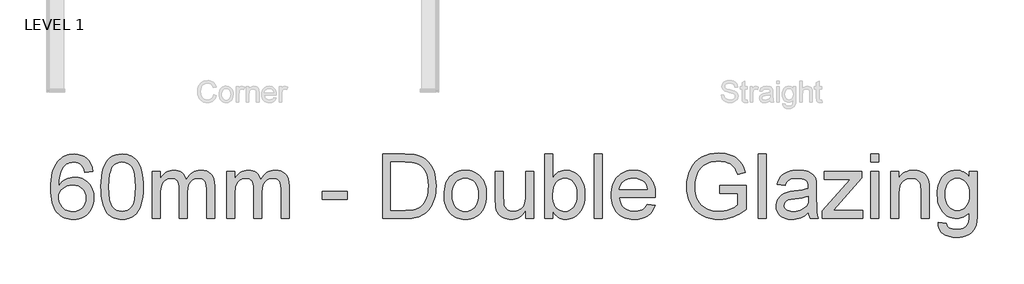
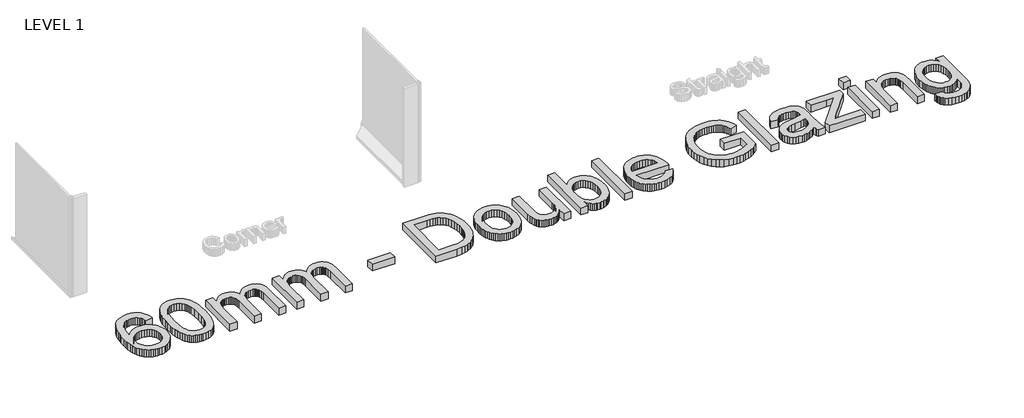
# One storey, part 10 of 11: 1 proxy.
"""IFC4 building model written with IfcOpenShell, lengths in millimetres."""

from ifc_helpers import new_model, si_unit, origin, origin_with_axes, place, context, project, spatial, polyline, outline, extrude, element, save

model = new_model("IFC4")

# Units and contexts
model_context = context("Model", 3, world=origin())
ifc_project = project(units=[si_unit("LENGTHUNIT", "METRE", prefix="MILLI")], contexts=[model_context])

# Site, building, storey
site = spatial("IfcSite", under=ifc_project)
building = spatial("IfcBuilding", under=site)
storey = spatial("IfcBuildingStorey", under=building, Name="LEVEL 1", Elevation=0.0)

# Proxy
placement = place(None, origin())
element("IfcBuildingElementProxy", 1, Name="1200mm", ObjectType="1200mm", at=placement, inside=storey, context=model_context, shape_type="SweptSolid", body=[
    extrude(outline(polyline([(8427.0063966, 18523.4260952), (8276.3219314, 18504.5905371), (8265.2486833, 18544.8920097), (8252.0417197, 18579.2705821), (8236.7010405, 18607.7262544), (8219.2266457, 18630.2590266), (8186.8346361, 18657.6846294), (8150.874171, 18677.2743456), (8111.3452507, 18689.0281754), (8068.2478749, 18692.9461186), (8032.7104742, 18690.6652502), (7998.203143, 18683.8226451), (7964.7258815, 18672.4183033), (7932.2786895, 18656.4522247), (7902.6733859, 18630.3418001), (7875.6616505, 18598.805116), (7851.243483, 18561.8421726), (7829.4188837, 18519.4529697), (7811.3466806, 18468.8416042), (7798.1857023, 18407.212173), (7789.9359485, 18334.564676), (7786.5974194, 18250.8991132), (7815.3198062, 18288.7633676), (7847.0404312, 18321.4220917), (7881.7592945, 18348.8752856), (7919.4763961, 18371.1229492), (7959.1800604, 18388.3122355), (7999.858612, 18400.590297), (8041.5120509, 18407.957134), (8084.1403771, 18410.4127463), (8121.0389412, 18408.7342847), (8156.5395538, 18403.6988999), (8190.6422147, 18395.3065919), (8223.3469241, 18383.5573607), (8254.6536819, 18368.4512062), (8284.5624881, 18349.9881286), (8313.0733427, 18328.1681278), (8340.1862458, 18302.9912037), (8364.9493026, 18275.1563323), (8386.4106185, 18245.3624892), (8404.5701934, 18213.6096745), (8419.4280275, 18179.8978881), (8430.9841207, 18144.2271302), (8439.238473, 18106.5974006), (8444.1910843, 18067.0086994), (8445.8419548, 18025.4610266), (8442.7333519, 17970.5270476), (8433.4075433, 17917.5612374), (8417.864529, 17866.5635958), (8396.104309, 17817.5341229), (8368.8994355, 17772.3030316), (8337.0224606, 17732.7005348), (8300.4733844, 17698.7266325), (8259.2522068, 17670.3813248), (8214.2418447, 17648.0416907), (8166.3252148, 17632.0848091), (8115.5023172, 17622.5106802), (8061.7731518, 17619.3193039), (8015.7718076, 17621.4346254), (7971.9455656, 17627.7805898), (7930.294426, 17638.3571971), (7890.8183887, 17653.1644474), (7853.5174536, 17672.2023407), (7818.3916209, 17695.4708769), (7785.4408904, 17722.970056), (7754.6652622, 17754.6998781), (7726.83269, 17791.2857425), (7702.7111275, 17833.3530487), (7682.3005745, 17880.9017966), (7665.6010312, 17933.9319862), (7652.6124975, 17992.4436175), (7643.3349734, 18056.4366906), (7637.768459, 18125.9112053), (7635.9129542, 18200.8671619), (7637.9730934, 18284.7948405), (7644.1535109, 18362.790422), (7654.4542068, 18434.8539064), (7668.875181, 18500.9852935), (7687.4164335, 18561.1845835), (7710.0779644, 18615.4517763), (7736.8597737, 18663.786872), (7767.7618613, 18706.1898704), (7797.7764335, 18738.4025376), (7830.2834063, 18766.3201826), (7865.2827797, 18789.9428052), (7902.7745535, 18809.2704055), (7942.7587278, 18824.3029835), (7985.2353027, 18835.0405393), (8030.2042781, 18841.4830727), (8077.665654, 18843.6305838), (8147.0665924, 18838.314689), (8209.8824431, 18822.3670045), (8266.113206, 18795.7875304), (8315.7588813, 18758.5762666), (8357.4766995, 18711.9840119), (8389.9238915, 18657.2615651), (8413.1004572, 18594.4089262), (8427.0063966, 18523.4260952)]), holes=[polyline([(7786.5974194, 18027.8154713), (7788.7771202, 17994.0531012), (7795.3162227, 17961.0448892), (7806.2147268, 17928.7908353), (7821.4726326, 17897.2909394), (7840.3449789, 17868.0259267), (7862.0868048, 17842.4765222), (7886.6981103, 17820.6427257), (7914.1788953, 17802.5245375), (7944.354416, 17788.2967013), (7977.0499283, 17778.1339612), (8012.2654323, 17772.0363171), (8050.000928, 17770.0037691), (8102.378127, 17774.216018), (8149.4394313, 17786.8527645), (8191.1848407, 17807.9140087), (8227.6143552, 17837.3997506), (8257.1644765, 17874.1143737), (8278.271706, 17916.8622616), (8290.9360437, 17965.6434141), (8295.1574896, 18020.4578314), (8290.991226, 18073.1293361), (8278.4924352, 18119.8963347), (8257.6611172, 18160.7588273), (8228.497272, 18195.7168139), (8191.9573929, 18223.7218308), (8148.9979729, 18243.7254143), (8099.6190121, 18255.7275644), (8043.8205104, 18259.7282811), (7992.1422872, 18255.7275644), (7944.52916, 18243.7254143), (7900.9811288, 18223.7218308), (7861.4981936, 18195.7168139), (7828.7291049, 18161.2186798), (7805.322613, 18121.7357447), (7791.2787178, 18077.2680085), (7786.5974194, 18027.8154713)])]), origin_with_axes(), (0.0, 0.0, 1.0), 150.0),
    extrude(outline(polyline([(8577.6908618, 18231.1806383), (8580.4591739, 18332.541325), (8588.7641099, 18424.1347447), (8602.60567, 18505.9608975), (8621.9838541, 18578.0197833), (8646.8158887, 18640.9000133), (8677.0190005, 18695.1901988), (8712.5931895, 18740.8903396), (8753.5384555, 18778.0004359), (8799.9927545, 18806.7136256), (8852.0940421, 18827.2230469), (8909.8423182, 18839.5286996), (8973.2375831, 18843.6305838), (9020.8783014, 18841.2025627), (9066.0909986, 18833.9184992), (9108.8756747, 18821.7783933), (9149.2323296, 18804.7822451), (9186.186076, 18783.2151632), (9218.7620266, 18757.362256), (9246.9601816, 18727.2235235), (9270.7805408, 18692.7989658), (9291.4187207, 18654.2265386), (9310.0703378, 18611.6441977), (9341.4138838, 18514.4497746), (9353.3884428, 18457.2901096), (9361.9416992, 18391.0253652), (9367.073653, 18315.6555414), (9368.7843043, 18231.1806383), (9366.0435834, 18130.463745), (9357.8214208, 18039.3301778), (9344.1178165, 17957.7799365), (9324.9327705, 17885.8130212), (9300.2938738, 17822.9052), (9270.2287178, 17768.5322411), (9234.7373023, 17722.6941445), (9193.8196274, 17685.3909102), (9147.3101461, 17656.4845825), (9095.0433117, 17635.8372055), (9037.019124, 17623.4487793), (8973.2375831, 17619.3193039), (8930.5632716, 17621.1127286), (8890.243405, 17626.4930028), (8852.277983, 17635.4601264), (8816.6670059, 17648.0140995), (8783.4104736, 17664.1549221), (8752.508386, 17683.882594), (8723.9607431, 17707.1971155), (8697.7675451, 17734.0984864), (8669.6245724, 17776.6946229), (8645.2339962, 17824.8733687), (8624.5958162, 17878.6347238), (8607.7100327, 17937.9786881), (8594.5766454, 18002.9052617), (8585.1956546, 18073.4144446), (8579.56706, 18149.5062368), (8577.6908618, 18231.1806383)]), holes=[polyline([(8728.3753271, 18231.4749439), (8732.789911, 18100.4813624), (8746.0336628, 17994.4485744), (8755.9664767, 17950.7924779), (8768.1065826, 17913.3765797), (8782.4539804, 17882.2008799), (8799.0086701, 17857.2653784), (8836.3854809, 17819.0884243), (8877.8825699, 17791.8191714), (8923.4999373, 17775.4576197), (8973.2375831, 17770.0037691), (9022.9752288, 17775.4760138), (9068.5925962, 17791.8927478), (9110.0896853, 17819.2539712), (9147.466496, 17857.559684), (9164.0211858, 17882.5549663), (9178.3685836, 17913.7628558), (9190.5086894, 17951.1833525), (9200.4415033, 17994.8164564), (9213.6852551, 18100.7204857), (9218.0998391, 18231.4749439), (9213.8324079, 18359.0012375), (9201.0301145, 18463.1670244), (9191.4283944, 18506.4897279), (9179.6929588, 18543.9723047), (9165.8238075, 18575.6147548), (9149.8209407, 18601.4170782), (9113.0695294, 18641.4610334), (9071.0941938, 18670.0638585), (9023.8949338, 18687.2255536), (8971.4717495, 18692.9461186), (8921.9916211, 18687.9061353), (8877.1468059, 18672.7861853), (8836.9373039, 18647.5862686), (8801.3631149, 18612.3063853), (8784.2566021, 18583.7587424), (8769.4309577, 18549.7664461), (8756.8861817, 18510.3294962), (8746.622274, 18465.4478928), (8732.9370638, 18359.3507254), (8728.3753271, 18231.4749439)])]), origin_with_axes(), (0.0, 0.0, 1.0), 150.0),
    extrude(outline(polyline([(9538.3043277, 17638.154862), (9538.3043277, 18523.4260952), (9688.9887929, 18523.4260952), (9688.9887929, 18377.7448251), (9710.031643, 18413.0155114), (9734.3118547, 18444.6625601), (9761.8294279, 18472.6859711), (9792.5843627, 18497.0857444), (9826.0800184, 18516.8502046), (9861.8197542, 18530.9676761), (9899.8035702, 18539.4381591), (9940.0314664, 18542.2616534), (9984.0117589, 18539.3829768), (10023.8349849, 18530.7469469), (10059.5011443, 18516.3535639), (10091.0102372, 18496.2028276), (10118.2702931, 18470.8649552), (10141.1893414, 18440.9101637), (10159.7673821, 18406.3384532), (10174.0044153, 18367.1498237), (10200.501116, 18408.1916588), (10228.9291972, 18443.7612492), (10259.2886589, 18473.8585949), (10291.579501, 18498.483696), (10325.8017236, 18517.6365523), (10361.9553267, 18531.317164), (10400.0403102, 18539.525531), (10440.0566742, 18542.2616534), (10500.3801244, 18537.7091137), (10553.3275405, 18524.0514946), (10598.8989227, 18501.2887962), (10637.0942708, 18469.4210183), (10653.2695823, 18449.9807542), (10667.2881856, 18428.0802791), (10688.8552676, 18376.8986966), (10701.7955168, 18315.8762706), (10706.1089331, 18245.0130013), (10706.1089331, 17638.154862), (10555.4244679, 17638.154862), (10555.4244679, 18180.2657701), (10551.929589, 18255.4240617), (10541.4449521, 18306.0814125), (10533.0388485, 18324.3559506), (10521.8000536, 18340.7726846), (10507.7285672, 18355.3316146), (10490.8243896, 18368.0327405), (10471.7037229, 18378.3334363), (10450.9827695, 18385.6910762), (10404.7400027, 18391.5771882), (10362.0381001, 18387.8063977), (10323.106988, 18376.4940264), (10287.9466663, 18357.6400741), (10256.557135, 18331.244541), (10230.741016, 18296.5348747), (10212.300931, 18252.7385232), (10201.23688, 18199.8554864), (10197.548863, 18137.8857643), (10197.548863, 17638.154862), (10046.8643978, 17638.154862), (10046.8643978, 18197.0411891), (10044.684697, 18242.6953447), (10038.1455945, 18282.2426592), (10027.2470904, 18315.6831326), (10011.9891846, 18343.0167648), (9991.764872, 18364.26195), (9965.967147, 18379.4370823), (9934.5960099, 18388.5421617), (9897.6514605, 18391.5771882), (9868.055354, 18389.5538372), (9839.5996817, 18383.4837843), (9812.2844436, 18373.3670294), (9786.1096396, 18359.2035726), (9762.2708863, 18341.1405666), (9741.9638002, 18319.3251643), (9725.1883812, 18293.7573656), (9711.9446294, 18264.4371706), (9701.9014509, 18229.8010808), (9694.727752, 18188.2855976), (9690.4235327, 18139.8907212), (9688.9887929, 18084.6164514), (9688.9887929, 17638.154862), (9538.3043277, 17638.154862)])), origin_with_axes(), (0.0, 0.0, 1.0), 150.0),
    extrude(outline(polyline([(10932.135631, 17638.154862), (10932.135631, 18523.4260952), (11082.8200962, 18523.4260952), (11082.8200962, 18377.7448251), (11103.8629463, 18413.0155114), (11128.143158, 18444.6625601), (11155.6607313, 18472.6859711), (11186.415666, 18497.0857444), (11219.9113217, 18516.8502046), (11255.6510575, 18530.9676761), (11293.6348735, 18539.4381591), (11333.8627697, 18542.2616534), (11377.8430622, 18539.3829768), (11417.6662882, 18530.7469469), (11453.3324476, 18516.3535639), (11484.8415405, 18496.2028276), (11512.1015964, 18470.8649552), (11535.0206447, 18440.9101637), (11553.5986854, 18406.3384532), (11567.8357186, 18367.1498237), (11594.3324193, 18408.1916588), (11622.7605005, 18443.7612492), (11653.1199622, 18473.8585949), (11685.4108043, 18498.483696), (11719.6330269, 18517.6365523), (11755.78663, 18531.317164), (11793.8716135, 18539.525531), (11833.8879776, 18542.2616534), (11894.2114277, 18537.7091137), (11947.1588439, 18524.0514946), (11992.730226, 18501.2887962), (12030.9255742, 18469.4210183), (12047.1008857, 18449.9807542), (12061.1194889, 18428.0802791), (12082.6865709, 18376.8986966), (12095.6268201, 18315.8762706), (12099.9402365, 18245.0130013), (12099.9402365, 17638.154862), (11949.2557712, 17638.154862), (11949.2557712, 18180.2657701), (11945.7608923, 18255.4240617), (11935.2762554, 18306.0814125), (11926.8701518, 18324.3559506), (11915.6313569, 18340.7726846), (11901.5598706, 18355.3316146), (11884.6556929, 18368.0327405), (11865.5350262, 18378.3334363), (11844.8140728, 18385.6910762), (11798.571306, 18391.5771882), (11755.8694034, 18387.8063977), (11716.9382913, 18376.4940264), (11681.7779696, 18357.6400741), (11650.3884384, 18331.244541), (11624.5723194, 18296.5348747), (11606.1322343, 18252.7385232), (11595.0681833, 18199.8554864), (11591.3801663, 18137.8857643), (11591.3801663, 17638.154862), (11440.6957011, 17638.154862), (11440.6957011, 18197.0411891), (11438.5160003, 18242.6953447), (11431.9768978, 18282.2426592), (11421.0783937, 18315.6831326), (11405.820488, 18343.0167648), (11385.5961753, 18364.26195), (11359.7984504, 18379.4370823), (11328.4273132, 18388.5421617), (11291.4827639, 18391.5771882), (11261.8866574, 18389.5538372), (11233.430985, 18383.4837843), (11206.1157469, 18373.3670294), (11179.9409429, 18359.2035726), (11156.1021896, 18341.1405666), (11135.7951035, 18319.3251643), (11119.0196845, 18293.7573656), (11105.7759327, 18264.4371706), (11095.7327542, 18229.8010808), (11088.5590553, 18188.2855976), (11084.254836, 18139.8907212), (11082.8200962, 18084.6164514), (11082.8200962, 17638.154862), (10932.135631, 17638.154862)])), origin_with_axes(), (0.0, 0.0, 1.0), 150.0),
    extrude(outline(polyline([(12721.5136555, 17996.030467), (12721.5136555, 18146.7149322), (13192.4026093, 18146.7149322), (13192.4026093, 17996.030467), (12721.5136555, 17996.030467)])), origin_with_axes(), (0.0, 0.0, 1.0), 150.0),
    extrude(outline(polyline([(13851.6471447, 17638.154862), (13851.6471447, 18843.6305838), (14267.5009521, 18843.6305838), (14391.77149, 18839.2895763), (14441.3803771, 18833.8633169), (14482.6383428, 18826.2665537), (14532.5599296, 18811.93755), (14578.72912, 18792.7892921), (14621.145914, 18768.8217801), (14659.8103117, 18740.035014), (14704.48958, 18696.9192442), (14743.1723718, 18648.211668), (14775.8586871, 18593.9122855), (14802.5485258, 18534.0210967), (14823.2786763, 18469.0899245), (14838.0859266, 18399.6705921), (14846.9702768, 18325.7630992), (14849.9317268, 18247.3674461), (14847.9267699, 18180.7348197), (14841.9118993, 18117.9833484), (14831.887115, 18059.1130321), (14817.8524168, 18004.1238708), (14800.6723277, 17953.3653526), (14781.2113701, 17907.1869651), (14759.4695442, 17865.5887085), (14735.4468499, 17828.5705827), (14709.6951103, 17795.6911294), (14682.7661482, 17766.5088902), (14654.6599638, 17741.0238649), (14625.376557, 17719.2360538), (14593.9686316, 17700.5016632), (14559.4888916, 17684.1768996), (14521.937337, 17670.2617632), (14481.3139676, 17658.7562538), (14390.7046322, 17643.30521), (14287.5137326, 17638.154862), (13851.6471447, 17638.154862)]), holes=[polyline([(14002.3316099, 17788.8393273), (14268.97248, 17788.8393273), (14379.2635022, 17794.2839808), (14424.4210171, 17801.0897977), (14462.9198679, 17810.6179414), (14496.2867649, 17822.6292885), (14526.0484183, 17836.8847158), (14552.2048281, 17853.3842233), (14574.7559944, 17872.127811), (14602.5586762, 17902.3401198), (14627.1056023, 17937.3532887), (14648.3967728, 17977.1673176), (14666.4321876, 18021.7822066), (14680.7887825, 18071.2899261), (14691.0434931, 18125.7824466), (14697.1963195, 18185.2597682), (14699.2472616, 18249.7218908), (14695.2281508, 18337.2042293), (14683.1708184, 18413.9444135), (14663.0752644, 18479.9424434), (14634.9414888, 18535.1983191), (14601.05036, 18580.9628393), (14563.6827464, 18618.4868028), (14522.8386479, 18647.7702096), (14478.5180645, 18668.8130597), (14440.2215488, 18679.371273), (14391.8450664, 18686.9128539), (14333.3886174, 18691.4378024), (14264.8522017, 18692.9461186), (14002.3316099, 18692.9461186), (14002.3316099, 17788.8393273)])]), origin_with_axes(), (0.0, 0.0, 1.0), 150.0),
    extrude(outline(polyline([(15000.616192, 18080.7904786), (15002.6533386, 18140.0976548), (15008.7647782, 18195.4409024), (15018.950511, 18246.8202216), (15033.2105368, 18294.2356122), (15051.5448557, 18337.6870744), (15073.9534678, 18377.1746081), (15100.4363729, 18412.6982132), (15130.9935711, 18444.2578899), (15158.9617998, 18467.2275219), (15188.4199506, 18487.1345364), (15219.3680234, 18503.9789333), (15251.8060183, 18517.7607125), (15285.7339354, 18528.4798741), (15321.1517744, 18536.1364182), (15396.4572189, 18542.2616534), (15439.0188664, 18540.3969515), (15479.5893527, 18534.8028459), (15518.1686777, 18525.4793366), (15554.7568414, 18512.4264236), (15589.3538438, 18495.6441068), (15621.9596848, 18475.1323863), (15652.5743646, 18450.8912621), (15681.1978831, 18422.9207342), (15707.0990748, 18391.6622609), (15729.5467743, 18357.5573007), (15748.5409816, 18320.6058535), (15764.0816966, 18280.8079194), (15776.1689194, 18238.1634984), (15784.80265, 18192.6725904), (15789.9828884, 18144.3351955), (15791.7096345, 18093.1513137), (15788.6562139, 18012.4931862), (15779.4959522, 17940.9217441), (15764.2288494, 17878.4369872), (15742.8549055, 17825.0389156), (15715.6408349, 17778.9157104), (15682.8533521, 17738.2555529), (15644.492457, 17703.058443), (15600.5581498, 17673.3243808), (15552.7610816, 17649.6971596), (15502.8119037, 17632.8205731), (15450.7106161, 17622.6946212), (15396.4572189, 17619.3193039), (15353.2241866, 17621.177108), (15312.1110744, 17626.7505202), (15273.1178822, 17636.0395406), (15236.24461, 17649.0441691), (15201.4912577, 17665.7644058), (15168.8578255, 17686.2002506), (15138.3443132, 17710.3517036), (15109.950721, 17738.2187647), (15084.3254408, 17769.5807048), (15062.1168646, 17804.2167947), (15043.3249924, 17842.1270343), (15027.9498243, 17883.3114236), (15015.9913602, 17927.7699627), (15007.4496001, 17975.5026516), (15002.3245441, 18026.5094903), (15000.616192, 18080.7904786)]), holes=[polyline([(15151.3006573, 18081.0847842), (15155.6600589, 18007.9958288), (15168.7382638, 17944.7109286), (15190.5352721, 17891.2300836), (15204.7033274, 17868.1661817), (15221.0510836, 17847.5532937), (15258.1703769, 17813.6253767), (15299.7778305, 17789.3911503), (15345.8734445, 17774.8506144), (15396.4572189, 17770.0037691), (15446.7834758, 17774.8782055), (15492.6951488, 17789.5015149), (15534.1922378, 17813.873697), (15571.274743, 17847.9947521), (15587.6224991, 17868.7708878), (15601.7905545, 17892.1038033), (15623.5875627, 17946.439974), (15636.6657676, 18011.0032642), (15641.0251692, 18085.7936738), (15636.6381765, 18156.5649726), (15623.4771981, 18218.1944038), (15601.5422341, 18270.6819675), (15570.8332846, 18314.0276636), (15533.6128237, 18347.9555806), (15492.1433258, 18372.189807), (15446.4247908, 18386.7303429), (15396.4572189, 18391.5771882), (15345.8734445, 18386.748737), (15299.7778305, 18372.2633834), (15258.1703769, 18348.1211275), (15221.0510836, 18314.3219692), (15204.7033274, 18293.778059), (15190.5352721, 18270.773938), (15168.7382638, 18217.3850634), (15155.6600589, 18154.1553455), (15151.3006573, 18081.0847842)])]), origin_with_axes(), (0.0, 0.0, 1.0), 150.0),
    extrude(outline(polyline([(16526.2964024, 17638.154862), (16526.2964024, 17790.3108552), (16500.1583867, 17750.2347104), (16471.7762908, 17715.5020515), (16441.1501147, 17686.1128786), (16408.2798584, 17662.0671917), (16373.1655219, 17643.3649908), (16335.8071053, 17630.0062758), (16296.2046086, 17621.9910469), (16254.3580316, 17619.3193039), (16217.0272061, 17621.1955021), (16180.9655736, 17626.8240966), (16146.1731339, 17636.2050875), (16112.6498871, 17649.3384747), (16081.8765582, 17665.3045533), (16055.3338722, 17683.1836183), (16033.0218292, 17702.9756696), (16014.9404291, 17724.6807073), (16000.16077, 17748.6114311), (15987.7539497, 17775.0805406), (15970.0588257, 17835.6339171), (15963.4369498, 17892.7292027), (15961.2296578, 17975.7233808), (15961.2296578, 18523.4260952), (16111.9141231, 18523.4260952), (16111.9141231, 18046.6510295), (16114.1949914, 17951.2960163), (16121.0375966, 17893.0235083), (16130.0599025, 17865.86462), (16143.0001517, 17841.7775464), (16159.8583441, 17820.7622874), (16180.6344798, 17802.8188431), (16204.7031593, 17788.4622482), (16231.4389833, 17778.2075376), (16260.8419518, 17772.0547112), (16292.9120647, 17770.0037691), (16325.9386708, 17772.1006965), (16357.9168132, 17778.3914786), (16388.846492, 17788.8761155), (16418.727707, 17803.5546071), (16445.9417776, 17821.8475393), (16468.870023, 17843.175498), (16487.5124431, 17867.5384831), (16501.869038, 17894.9364947), (16512.5560099, 17927.1169722), (16520.1895613, 17965.8273551), (16524.7696922, 18011.0676435), (16526.2964024, 18062.8378373), (16526.2964024, 18523.4260952), (16676.9808677, 18523.4260952), (16676.9808677, 17638.154862), (16526.2964024, 17638.154862)])), origin_with_axes(), (0.0, 0.0, 1.0), 150.0),
    extrude(outline(polyline([(17034.8564726, 17638.154862), (16884.1720073, 17638.154862), (16884.1720073, 18843.6305838), (17034.8564726, 18843.6305838), (17034.8564726, 18396.5803833), (17058.8331816, 18430.724431), (17084.4101773, 18460.315939), (17111.5874597, 18485.3549073), (17140.3650288, 18505.8413359), (17170.7428845, 18521.7752248), (17202.721027, 18533.156574), (17236.2994561, 18539.9853835), (17271.4781719, 18542.2616534), (17310.8231513, 18540.2107113), (17349.1012728, 18534.0578849), (17386.3125367, 18523.8031743), (17422.4569427, 18509.4465794), (17456.4860272, 18491.3743764), (17487.3513266, 18469.9728413), (17515.0528409, 18445.2419742), (17539.59057, 18417.181775), (17561.3048047, 18385.9210025), (17580.535836, 18351.5884153), (17597.2836638, 18314.1840134), (17611.5482882, 18273.7077969), (17622.943433, 18230.9691061), (17631.0828222, 18186.7772814), (17635.9664556, 18141.1323229), (17637.5943335, 18094.0342305), (17635.9089741, 18038.9163105), (17630.8528959, 17987.0173581), (17622.426099, 17938.3373731), (17610.6285832, 17892.8763555), (17595.4603487, 17850.6343054), (17576.9213954, 17811.6112228), (17555.0117233, 17775.8071076), (17529.7313325, 17743.2219599), (17502.0872998, 17714.1822749), (17473.0867023, 17689.0145479), (17442.7295399, 17667.7187789), (17411.0158126, 17650.2949679), (17377.9455205, 17636.7431149), (17343.5186636, 17627.0632199), (17307.7352418, 17621.2552829), (17270.5952551, 17619.3193039), (17234.0783685, 17621.8163029), (17199.5756359, 17629.3073001), (17167.0870572, 17641.7922953), (17136.6126324, 17659.2712886), (17108.1523616, 17681.7442799), (17081.7062447, 17709.2112694), (17057.2742817, 17741.672257), (17034.8564726, 17779.1272426), (17034.8564726, 17638.154862)]), holes=[polyline([(17034.8564726, 18086.9708962), (17037.4316465, 18019.0598798), (17045.1571684, 17961.3024066), (17058.0330383, 17913.6984764), (17076.059256, 17876.2480893), (17093.5750375, 17851.3470768), (17112.5715441, 17829.7661992), (17133.0487756, 17811.5054567), (17155.0067322, 17796.5648492), (17178.4454138, 17784.9443766), (17203.3648205, 17776.6440391), (17229.7649521, 17771.6638366), (17257.6458088, 17770.0037691), (17302.7113533, 17774.8965996), (17344.6131125, 17789.5750913), (17383.3510866, 17814.0392439), (17418.9252755, 17848.2890577), (17448.6685348, 17892.232562), (17469.9137201, 17945.7777864), (17482.6608312, 18008.9247309), (17486.9098682, 18081.6733954), (17482.8355751, 18155.8016175), (17470.6126959, 18219.5555672), (17450.2412304, 18272.9352447), (17421.7211787, 18315.94065), (17387.4253797, 18349.0316354), (17349.7266722, 18372.6680536), (17308.6250563, 18386.8499045), (17264.120532, 18391.5771882), (17219.0549876, 18386.6843576), (17177.1532283, 18372.005866), (17138.4152542, 18347.5417133), (17102.8410653, 18313.2918996), (17073.097806, 18269.7898537), (17051.8526207, 18217.5690044), (17039.1055096, 18156.6293519), (17034.8564726, 18086.9708962)])]), origin_with_axes(), (0.0, 0.0, 1.0), 150.0),
    extrude(outline(polyline([(17807.1143568, 17638.154862), (17807.1143568, 18843.6305838), (17957.7988221, 18843.6305838), (17957.7988221, 17638.154862), (17807.1143568, 17638.154862)])), origin_with_axes(), (0.0, 0.0, 1.0), 150.0),
    extrude(outline(polyline([(18803.6331054, 17901.8526762), (18951.3745146, 17883.017118), (18928.7221808, 17823.8432991), (18898.1419899, 17771.6960263), (18859.6339421, 17726.5752996), (18813.1980373, 17688.481119), (18759.312522, 17658.2228249), (18698.455643, 17636.6097577), (18630.6274001, 17623.6419173), (18555.8277934, 17619.3193039), (18507.8053975, 17621.1840058), (18462.3305844, 17626.7781113), (18419.403354, 17636.1016207), (18379.0237065, 17649.1545337), (18341.1916419, 17665.9368505), (18305.90716, 17686.448571), (18273.170261, 17710.6896952), (18242.9809447, 17738.6602231), (18215.8726402, 17769.9968713), (18192.3787763, 17804.3363563), (18172.499353, 17841.6786781), (18156.2343703, 17882.0238366), (18143.5838282, 17925.371832), (18134.5477267, 17971.7226641), (18129.1260657, 18021.076333), (18127.3188454, 18073.4328387), (18129.1444598, 18127.5712729), (18134.6213031, 18178.5919071), (18143.7493751, 18226.4947414), (18156.5286759, 18271.2797757), (18172.9592055, 18312.9470102), (18193.0409639, 18351.4964448), (18216.7739511, 18386.9280795), (18244.1581671, 18419.2419142), (18274.4532494, 18448.0746656), (18306.9188355, 18473.0630501), (18341.5549253, 18494.2070678), (18378.361519, 18511.5067186), (18417.3386163, 18524.9620026), (18458.4862175, 18534.5729197), (18501.8043224, 18540.33947), (18547.2929311, 18542.2616534), (18591.293917, 18540.3440685), (18633.2393623, 18534.5913138), (18673.1292669, 18525.0033893), (18710.9636308, 18511.580295), (18746.7424541, 18494.3220309), (18780.4657367, 18473.228597), (18812.1334787, 18448.2999933), (18841.7456801, 18419.5362198), (18868.5435842, 18387.2959614), (18891.7684344, 18351.9379032), (18911.4202307, 18313.462045), (18927.4989732, 18271.8683869), (18940.0046617, 18227.1569289), (18948.9372964, 18179.327671), (18954.2968772, 18128.3806132), (18956.0834042, 18074.3157555), (18955.2004874, 18033.7015833), (18278.0033107, 18033.7015833), (18286.731311, 17973.5712711), (18304.0861441, 17920.9089635), (18330.06781, 17875.7146604), (18364.6763087, 17837.9883618), (18405.9986538, 17808.2451025), (18452.121859, 17786.9999173), (18503.0459242, 17774.2528062), (18558.7708494, 17770.0037691), (18600.4518794, 17771.9719378), (18638.9691243, 17777.8764438), (18674.3225841, 17787.7172872), (18706.5122587, 17801.4944679), (18735.5381481, 17819.575868), (18761.4002523, 17842.3293694), (18784.0985714, 17869.7549721), (18803.6331054, 17901.8526762)]), holes=[polyline([(18278.0033107, 18184.3860485), (18805.398939, 18184.3860485), (18797.655023, 18227.0235717), (18785.0182764, 18263.9957122), (18767.4886994, 18295.30247), (18745.0662917, 18320.9438451), (18703.9738729, 18351.8459327), (18657.2160713, 18373.9188524), (18604.792887, 18387.1626042), (18546.7043199, 18391.5771882), (18493.7201156, 18388.0547181), (18445.1321011, 18377.4873077), (18400.9402764, 18359.8749572), (18361.1446416, 18335.2176665), (18327.7501535, 18304.6558698), (18302.7617689, 18269.3300012), (18286.179488, 18229.2400607), (18278.0033107, 18184.3860485)])]), origin_with_axes(), (0.0, 0.0, 1.0), 150.0),
    extrude(outline(polyline([(20161.559126, 18109.0438159), (20161.559126, 18259.7282811), (20651.283638, 18259.7282811), (20651.283638, 17809.1464134), (20592.2477748, 17764.8350271), (20532.2738125, 17726.3729645), (20471.3617512, 17693.7602256), (20409.5115907, 17666.9968105), (20346.7969076, 17646.1379013), (20283.2912782, 17631.2386805), (20218.9947025, 17622.299148), (20153.9071805, 17619.3193039), (20067.3537441, 17624.0557846), (19984.8654037, 17638.2652266), (19906.4421594, 17661.9476301), (19832.0840111, 17695.1029949), (19764.1913889, 17737.2346804), (19705.1647228, 17787.8460459), (19655.0040127, 17846.9370914), (19613.7092588, 17914.5078168), (19581.4552048, 17988.3969156), (19558.4165949, 18066.4430808), (19544.5934289, 18148.6463126), (19539.9857069, 18235.006611), (19544.5750348, 18321.3761064), (19558.3430185, 18404.7841518), (19581.2896579, 18485.2307471), (19613.4149532, 18562.7158923), (19654.1486871, 18633.836679), (19702.9206426, 18695.1901988), (19759.7308197, 18746.7764516), (19824.5792184, 18788.5954374), (19896.0586901, 18820.9138706), (19972.7620861, 18843.9984658), (20054.6894064, 18857.849223), (20141.840651, 18862.466142), (20205.4658421, 18859.7898005), (20265.9640362, 18851.7607759), (20323.3352334, 18838.3790684), (20377.5794335, 18819.6446778), (20427.4182468, 18796.1370183), (20471.5732833, 18768.435504), (20510.044543, 18736.540135), (20542.8320258, 18700.4509113), (20570.9841955, 18659.3492954), (20595.5495157, 18612.4167499), (20616.5279865, 18559.6532747), (20633.9196078, 18501.0588699), (20495.0073664, 18461.9162256), (20480.3380718, 18504.0663052), (20463.9949142, 18541.3419484), (20445.9778935, 18573.7431551), (20426.2870097, 18601.2699254), (20403.5519024, 18625.1086787), (20376.4022112, 18646.4458344), (20344.837936, 18665.2813926), (20308.8590768, 18681.6153532), (20269.6336591, 18694.8131197), (20228.3297081, 18704.2400959), (20184.9472238, 18709.8962815), (20139.4862063, 18711.7816768), (20085.600691, 18709.7491287), (20035.4859662, 18703.6514847), (19989.1420319, 18693.4887446), (19946.568888, 18679.2609084), (19907.849308, 18661.7313313), (19873.0660654, 18641.6633685), (19842.2191601, 18619.0570199), (19815.3085921, 18593.9122855), (19770.9788117, 18538.4724688), (19737.7590675, 18477.8087278), (19717.1576758, 18422.0746056), (19702.442396, 18364.0596149), (19693.6132281, 18303.7637559), (19690.6701722, 18241.1870285), (19694.2110364, 18165.9459635), (19704.833629, 18097.087651), (19722.53795, 18034.6120912), (19747.3239994, 17978.519284), (19778.8698805, 17929.0207615), (19816.8536965, 17886.328056), (19861.2754474, 17850.4411674), (19912.1351332, 17821.3600956), (19967.0507181, 17798.8917028), (20023.640166, 17782.8428507), (20081.903477, 17773.2135395), (20141.840651, 17770.0037691), (20194.3466088, 17772.4225932), (20246.2087731, 17779.6790656), (20297.4271438, 17791.7731862), (20348.0017211, 17808.704955), (20436.4037646, 17848.6937279), (20471.5272981, 17869.6538046), (20500.5991727, 17891.2576747), (20500.5991727, 18109.0438159), (20161.559126, 18109.0438159)])), origin_with_axes(), (0.0, 0.0, 1.0), 150.0),
    extrude(outline(polyline([(20877.3103358, 17638.154862), (20877.3103358, 18843.6305838), (21027.994801, 18843.6305838), (21027.994801, 17638.154862), (20877.3103358, 17638.154862)])), origin_with_axes(), (0.0, 0.0, 1.0), 150.0),
    extrude(outline(polyline([(21819.0882434, 17751.168211), (21783.3577047, 17717.6357671), (21747.093737, 17689.4376122), (21710.2963404, 17666.5737462), (21672.965515, 17649.0441691), (21634.6781963, 17636.0395406), (21595.0113202, 17626.7505202), (21553.9648866, 17621.177108), (21511.5388955, 17619.3193039), (21444.4464166, 17623.7890701), (21385.6128885, 17637.1983689), (21335.0383112, 17659.5472001), (21292.7226847, 17690.8355638), (21259.3098025, 17729.0768972), (21235.4434581, 17772.2846375), (21221.1236514, 17820.4587848), (21216.3503825, 17873.599339), (21218.1530043, 17905.5498902), (21223.5608697, 17936.0657017), (21232.5739785, 17965.1467735), (21245.192331, 17992.7931054), (21260.7445423, 18018.3976923), (21278.5592279, 18041.3535288), (21298.6363878, 18061.6606149), (21320.976022, 18079.3189507), (21370.8240323, 18108.0137463), (21426.4845782, 18128.7622908), (21480.7103843, 18140.3137855), (21556.8619573, 18151.4238217), (21710.9309369, 18175.262575), (21770.4174555, 18188.727056), (21818.2053267, 18203.2216066), (21819.0882434, 18236.7724446), (21816.4946754, 18273.3031267), (21808.7139712, 18304.0212733), (21795.7461309, 18328.9268844), (21777.5911544, 18348.0199599), (21746.2108202, 18367.0762473), (21707.9878809, 18380.6878811), (21662.9223365, 18388.8548614), (21611.014187, 18391.5771882), (21562.7480692, 18389.7653693), (21521.2509801, 18384.3299129), (21486.5229198, 18375.2708187), (21458.5638882, 18362.5880869), (21435.5896576, 18345.2884361), (21415.8160003, 18322.3785849), (21399.2429164, 18293.8585332), (21385.8704059, 18259.7282811), (21235.1859407, 18278.5638392), (21246.6546619, 18321.9739147), (21261.3423506, 18360.9694062), (21279.2490067, 18395.5503137), (21300.3746302, 18425.7166373), (21325.6297292, 18452.0753823), (21355.9248115, 18475.2335539), (21391.2598772, 18495.1911521), (21431.6349261, 18511.948177), (21476.231421, 18525.2103229), (21524.2308243, 18534.6832843), (21575.6331361, 18540.3670611), (21630.4383563, 18542.2616534), (21684.0111719, 18540.5877903), (21732.3048808, 18535.5662011), (21775.3194831, 18527.1968857), (21813.0549787, 18515.4798441), (21845.8240674, 18501.2336139), (21873.9394489, 18485.2767323), (21897.4011232, 18467.6091995), (21916.2090902, 18448.2310154), (21931.4577989, 18426.6639335), (21944.2416982, 18402.429707), (21962.4150688, 18345.9598208), (21967.9332987, 18293.8677302), (21969.7727087, 18214.1109137), (21969.7727087, 18026.6382489), (21971.685695, 17863.3354313), (21977.4246542, 17764.8534212), (21988.7554196, 17700.1429782), (22007.443825, 17638.154862), (21856.7593598, 17638.154862), (21843.3684551, 17663.3179905), (21832.6263009, 17690.5412582), (21819.0882434, 17751.168211)]), holes=[polyline([(21819.0882434, 18052.5371414), (21773.5444524, 18039.4957247), (21717.8471184, 18027.4475893), (21575.991821, 18006.3311628), (21497.8168971, 17994.7796682), (21446.3502059, 17981.9037983), (21412.615427, 17965.2019558), (21387.6362395, 17942.1725429), (21372.1851957, 17914.5813932), (21367.0348478, 17884.1943404), (21369.839948, 17860.7786514), (21378.2552486, 17839.3863134), (21392.2807497, 17820.0173264), (21411.9164512, 17802.6716903), (21436.9784121, 17788.3794748), (21467.2826915, 17778.1707494), (21502.8292892, 17772.0455142), (21543.6182055, 17770.0037691), (21585.2624473, 17772.2570463), (21624.5522444, 17779.016878), (21661.4875967, 17790.2832641), (21696.0685043, 17806.0562046), (21727.2648974, 17825.0297185), (21754.0467067, 17845.8978247), (21776.413932, 17868.6605232), (21794.3665734, 17893.3178139), (21804.7960279, 17915.3907336), (21812.2456383, 17942.1725429), (21816.7154046, 17973.6632416), (21818.2053267, 18009.86283), (21819.0882434, 18052.5371414)])]), origin_with_axes(), (0.0, 0.0, 1.0), 150.0),
    extrude(outline(polyline([(22082.7860576, 17638.154862), (22082.7860576, 17780.0101594), (22602.824046, 18372.74163), (22448.9022192, 18372.74163), (22120.4571739, 18372.74163), (22120.4571739, 18523.4260952), (22817.3728256, 18523.4260952), (22817.3728256, 18395.4031609), (22356.1959564, 17869.4790606), (22285.5626133, 17788.8393273), (22459.7915262, 17788.8393273), (22836.2083837, 17788.8393273), (22836.2083837, 17638.154862), (22082.7860576, 17638.154862)])), origin_with_axes(), (0.0, 0.0, 1.0), 150.0),
    extrude(outline(polyline([(22986.8928489, 18692.9461186), (22986.8928489, 18843.6305838), (23137.5773142, 18843.6305838), (23137.5773142, 18692.9461186), (22986.8928489, 18692.9461186)])), origin_with_axes(), (0.0, 0.0, 1.0), 150.0),
    extrude(outline(polyline([(22986.8928489, 17638.154862), (22986.8928489, 18523.4260952), (23137.5773142, 18523.4260952), (23137.5773142, 17638.154862), (22986.8928489, 17638.154862)])), origin_with_axes(), (0.0, 0.0, 1.0), 150.0),
    extrude(outline(polyline([(23363.604012, 17638.154862), (23363.604012, 18523.4260952), (23514.2884772, 18523.4260952), (23514.2884772, 18399.8177449), (23539.148103, 18433.2030359), (23566.6380851, 18462.1369548), (23596.7584235, 18486.6195016), (23629.5091181, 18506.6506763), (23664.890169, 18522.2304788), (23702.9015761, 18533.3589091), (23743.5433396, 18540.0359673), (23786.8154592, 18542.2616534), (23824.7348959, 18540.4682287), (23861.0908341, 18535.0879545), (23895.8832738, 18526.1208309), (23929.112215, 18513.5668578), (23959.5176619, 18498.0974199), (23985.8396186, 18480.3839018), (24008.0780852, 18460.4263036), (24026.2330617, 18438.2246252), (24053.6402703, 18387.1993924), (24071.4089707, 18327.4185682), (24077.368659, 18270.2497062), (24079.3552218, 18181.7372981), (24079.3552218, 17638.154862), (23928.6707566, 17638.154862), (23928.6707566, 18161.430212), (23924.329749, 18239.3476186), (23918.9034896, 18269.8634301), (23911.3067264, 18294.750647), (23900.9600453, 18315.7107237), (23887.2840321, 18334.4451143), (23870.2786869, 18350.9538188), (23849.9440096, 18365.2368373), (23826.9789761, 18376.7607408), (23802.082562, 18384.9921005), (23775.2547675, 18389.9309162), (23746.4955926, 18391.5771882), (23700.7402694, 18387.8799741), (23658.2407019, 18376.788332), (23618.9968901, 18358.3022617), (23583.0088339, 18332.4217633), (23566.9025003, 18315.9728396), (23552.9436779, 18296.2037809), (23541.1323666, 18273.1145872), (23531.4685664, 18246.7052585), (23518.5834995, 18183.926196), (23514.2884772, 18107.8665935), (23514.2884772, 17638.154862), (23363.604012, 17638.154862)])), origin_with_axes(), (0.0, 0.0, 1.0), 150.0),
    extrude(outline(polyline([(24248.8752452, 17562.8126294), (24399.5597104, 17543.9770713), (24405.9240689, 17518.5932136), (24416.1879766, 17496.8881759), (24430.3514334, 17478.8619581), (24448.4144394, 17464.5145603), (24477.6426639, 17449.8360687), (24511.7637189, 17439.3514318), (24550.7776045, 17433.0606497), (24594.6843207, 17430.9637224), (24641.7364278, 17433.3365612), (24683.1231523, 17440.4550778), (24718.844494, 17452.3192722), (24748.900453, 17468.9291443), (24773.9164287, 17489.8248416), (24794.5178204, 17514.5465117), (24810.7046282, 17543.0941545), (24822.4768521, 17575.4677701), (24830.6438324, 17640.2885776), (24832.7775479, 17751.168211), (24808.4329569, 17724.6807073), (24782.635232, 17701.7248708), (24755.3843732, 17682.3007015), (24726.6803805, 17666.4081993), (24696.523254, 17654.0473642), (24664.9129935, 17645.2181963), (24631.8495992, 17639.9206956), (24597.333071, 17638.154862), (24554.7898175, 17640.2104027), (24514.715972, 17646.3770246), (24477.1115343, 17656.6547279), (24441.9765045, 17671.0435124), (24409.3108825, 17689.5433782), (24379.1146685, 17712.1543254), (24351.3878624, 17738.8763538), (24326.1304642, 17769.7094635), (24303.6091883, 17803.4166513), (24284.0907492, 17838.760914), (24267.5751469, 17875.7422516), (24254.0623813, 17914.360664), (24243.5524526, 17954.6161513), (24236.0453606, 17996.5087135), (24230.039687, 18085.2050626), (24232.7344227, 18147.2575581), (24240.8186295, 18206.8636384), (24254.2923076, 18264.0233034), (24273.1554569, 18318.7365531), (24297.1229689, 18369.1823717), (24325.909735, 18413.5397433), (24359.5157552, 18451.8086678), (24397.9410296, 18483.9891454), (24440.5693558, 18509.4833676), (24486.7845315, 18527.6935264), (24536.5865566, 18538.6196216), (24589.9754311, 18542.2616534), (24626.0232681, 18540.2015142), (24660.4432273, 18534.0210967), (24693.2353086, 18523.7204008), (24724.3995122, 18509.2994266), (24753.9358378, 18490.7581741), (24781.8442857, 18468.0966432), (24808.1248557, 18441.3148339), (24832.7775479, 18410.4127463), (24832.7775479, 18523.4260952), (24983.4620132, 18523.4260952), (24983.4620132, 17759.1144621), (24980.8868392, 17663.3455817), (24973.1613173, 17582.641469), (24960.2854475, 17517.002124), (24942.2592297, 17466.4275467), (24918.6504027, 17425.6386305), (24889.026705, 17389.3562687), (24853.3881367, 17357.5804614), (24811.7346978, 17330.3112085), (24764.4894526, 17308.4222298), (24712.0754653, 17292.787245), (24654.492736, 17283.4062541), (24591.7412647, 17280.2792571), (24517.9165453, 17284.684644), (24451.5414363, 17297.9008047), (24392.6159378, 17319.9277392), (24341.1400496, 17350.7654474), (24318.8073132, 17369.4975388), (24299.5601871, 17390.4507176), (24283.3986712, 17413.6249841), (24270.3227655, 17439.0203381), (24260.3324701, 17466.6367796), (24253.4277849, 17496.4743086), (24249.6087099, 17528.5329253), (24248.8752452, 17562.8126294)]), holes=[polyline([(24380.7241523, 18095.5057584), (24384.7432631, 18021.0004574), (24396.8005954, 17957.2924929), (24416.8961494, 17904.3818649), (24445.029925, 17862.2685735), (24479.2337535, 17830.1432783), (24517.5394663, 17807.1966388), (24559.9470633, 17793.4286552), (24606.4565445, 17788.8393273), (24652.5061732, 17793.401064), (24694.7114351, 17807.0862742), (24733.0723302, 17829.8949579), (24767.5888584, 17861.8271151), (24796.1089101, 17903.5265393), (24816.4803755, 17955.6370239), (24828.7032548, 18018.158569), (24832.7775479, 18091.0911745), (24828.5836932, 18160.9795565), (24816.002129, 18221.726071), (24795.0328552, 18273.3307179), (24765.675872, 18315.7934972), (24730.4143828, 18348.948862), (24691.731591, 18372.6312654), (24649.6274966, 18386.8407075), (24604.1020997, 18391.5771882), (24559.340058, 18386.9142839), (24518.0545011, 18372.925571), (24480.245429, 18349.6110496), (24445.9128418, 18316.9707195), (24417.3927901, 18275.1517337), (24397.0213246, 18224.301245), (24384.7984454, 18164.4192532), (24380.7241523, 18095.5057584)])]), origin_with_axes(), (0.0, 0.0, 1.0), 150.0),
])

save(model, "model.ifc")
